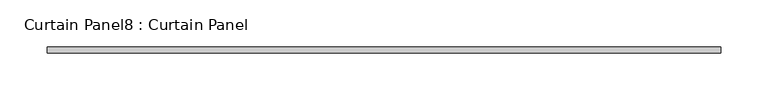
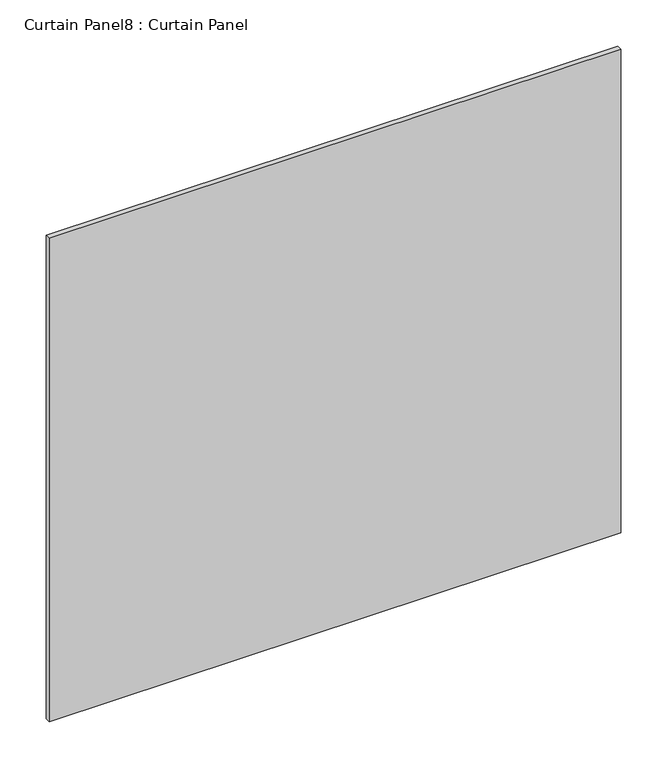
"""IFC4 building model written with IfcOpenShell, lengths in millimetres: plate geometry, Curtain Panel8 : Curtain Panel."""

import ifcopenshell
import ifcopenshell.guid

model = None  # the IFC model being written
_history = None  # IfcOwnerHistory: only IFC2X3 demands one
_inside = {}  # id of a spatial element -> (the spatial element, [elements in it])
_under = {}  # id of a project, library or spatial element -> (it, [spatial elements below it])
_declared = {}  # id of a project -> (the project, [libraries it declares])
_typed = {}  # id of a type object -> (the type object, [elements of that type])
_made_of = {}  # id of a material, layer set ... -> (it, [elements and type objects made of it])


def new_model(schema):
    """Start an empty IFC model of exactly this schema.

    Asked for "IFC4X3", IfcOpenShell would pick the latest addendum, in which some entities
    have other attributes; the version numbers below select the first issue.
    IFC2X3 requires an IfcOwnerHistory on every rooted entity: one is made here for all.
    """
    global model, _history
    if schema == "IFC4X3":
        model = ifcopenshell.file(schema_version=(4, 3, 0, 0))
    else:
        model = ifcopenshell.file(schema=schema)
    _inside.clear()
    _under.clear()
    _declared.clear()
    _typed.clear()
    _made_of.clear()
    _history = None
    if model.schema == "IFC2X3":
        org = make("IfcOrganization", Name="unknown")
        user = make(
            "IfcPersonAndOrganization",
            ThePerson=make("IfcPerson", FamilyName="unknown"),
            TheOrganization=org,
        )
        app = make(
            "IfcApplication",
            ApplicationDeveloper=org,
            Version="unknown",
            ApplicationFullName="unknown",
            ApplicationIdentifier="unknown",
        )
        _history = make(
            "IfcOwnerHistory",
            OwningUser=user,
            OwningApplication=app,
            ChangeAction="ADDED",
            CreationDate=0,
        )
    return model


def make(cls, **values):
    """One entity of the class cls with the attributes given. An attribute that is None is left unset."""
    return model.create_entity(
        cls, **{name: value for name, value in values.items() if value is not None}
    )


def rooted(cls, **values):
    """An entity with a GlobalId (a new one), such as an element, a storey or a relation."""
    return make(cls, GlobalId=ifcopenshell.guid.new(), OwnerHistory=_history, **values)


def si_unit(unit_type, name, prefix=None):
    """IfcSIUnit, for example si_unit("LENGTHUNIT", "METRE", prefix="MILLI")."""
    return make("IfcSIUnit", UnitType=unit_type, Prefix=prefix, Name=name)


def assignment(units):
    """IfcUnitAssignment: the units of a project."""
    return None if units is None else make("IfcUnitAssignment", Units=units)


def point(xyz):
    """IfcCartesianPoint."""
    return None if xyz is None else make("IfcCartesianPoint", Coordinates=xyz)


def direction(xyz):
    """IfcDirection."""
    return None if xyz is None else make("IfcDirection", DirectionRatios=xyz)


def frame(location, z_axis=None, x_axis=None):
    """IfcAxis2Placement3D, a coordinate frame: its origin and axes. An axis left out is left unset."""
    return make(
        "IfcAxis2Placement3D",
        Location=point(location),
        Axis=direction(z_axis),
        RefDirection=direction(x_axis),
    )


def origin():
    """The frame at (0, 0, 0) with its axes left unset."""
    return frame((0.0, 0.0, 0.0))


def place(relative_to, where):
    """IfcLocalPlacement: puts the frame where relative to a parent placement (None: the world)."""
    return make(
        "IfcLocalPlacement", PlacementRelTo=relative_to, RelativePlacement=where
    )


def context(
    kind, dimensions, precision=None, world=None, true_north=None, identifier=None
):
    """IfcGeometricRepresentationContext, for example the 3D "Model" context."""
    return make(
        "IfcGeometricRepresentationContext",
        ContextIdentifier=identifier,
        ContextType=kind,
        CoordinateSpaceDimension=dimensions,
        Precision=precision,
        WorldCoordinateSystem=world,
        TrueNorth=true_north,
    )


def project(units=None, contexts=None):
    """IfcProject with its units and contexts."""
    return rooted(
        "IfcProject",
        Name="project",
        RepresentationContexts=contexts,
        UnitsInContext=assignment(units),
    )


def spatial(cls, under=None, at=None, **own):
    """A site, building, storey or space (cls), placed at a placement, below another one or the project."""
    s = rooted(cls, ObjectPlacement=at, **own)
    if under is not None:
        _under.setdefault(under.id(), (under, []))[1].append(s)
    return s


def polyline(points):
    """IfcPolyline through the points."""
    return make("IfcPolyline", Points=[point(p) for p in points])


def outline(outer, holes=None, kind="AREA"):
    """IfcArbitraryClosedProfileDef: a profile drawn as a closed curve; with holes, ...WithVoids."""
    if holes is None:
        return make("IfcArbitraryClosedProfileDef", ProfileType=kind, OuterCurve=outer)
    return make(
        "IfcArbitraryProfileDefWithVoids",
        ProfileType=kind,
        OuterCurve=outer,
        InnerCurves=holes,
    )


def extrude(swept, where, along, depth):
    """IfcExtrudedAreaSolid: the profile swept, set in the frame where, extruded along a direction by depth."""
    return make(
        "IfcExtrudedAreaSolid",
        SweptArea=swept,
        Position=where,
        ExtrudedDirection=direction(along),
        Depth=depth,
    )


def shape(context_of_items, identifier, shape_type, items):
    """IfcShapeRepresentation: the items that make up one representation, for example the "Body"."""
    return make(
        "IfcShapeRepresentation",
        ContextOfItems=context_of_items,
        RepresentationIdentifier=identifier,
        RepresentationType=shape_type,
        Items=items,
    )


def source(mapping_origin, context_of_items, identifier, shape_type, items):
    """IfcRepresentationMap: a shape defined once, which mapped items show again and again."""
    return make(
        "IfcRepresentationMap",
        MappingOrigin=mapping_origin,
        MappedRepresentation=shape(context_of_items, identifier, shape_type, items),
    )


def transform(
    local_origin,
    x_axis=None,
    y_axis=None,
    z_axis=None,
    scale=None,
    scale2=None,
    scale3=None,
    uniform=True,
):
    """IfcCartesianTransformationOperator3D, or its non-uniform kind. x_axis, y_axis, z_axis: its Axis1, 2, 3."""
    if uniform:
        return make(
            "IfcCartesianTransformationOperator3D",
            Axis1=direction(x_axis),
            Axis2=direction(y_axis),
            LocalOrigin=point(local_origin),
            Scale=scale,
            Axis3=direction(z_axis),
        )
    return make(
        "IfcCartesianTransformationOperator3DnonUniform",
        Axis1=direction(x_axis),
        Axis2=direction(y_axis),
        LocalOrigin=point(local_origin),
        Scale=scale,
        Axis3=direction(z_axis),
        Scale2=scale2,
        Scale3=scale3,
    )


def mapped(mapping_source, mapping_target):
    """IfcMappedItem: shows the shape of a source again, moved by a transform."""
    return make(
        "IfcMappedItem", MappingSource=mapping_source, MappingTarget=mapping_target
    )


def made_of(thing, what):
    """Note that an element or type object is made of a material, layer set ...; save() writes the relation."""
    if what is not None:
        _made_of.setdefault(what.id(), (what, []))[1].append(thing)
    return thing


def element(
    cls,
    number,
    at=None,
    inside=None,
    cuts=None,
    type_object=None,
    material=None,
    context=None,
    identifier="Body",
    shape_type=None,
    held_by="IfcProductDefinitionShape",
    body=None,
    shapes=None,
    **own,
):
    """One element of the class cls, such as IfcWall. Its Tag is "e" and its number.

    at: its placement. inside: the storey or other place that contains it. cuts: it is an
    opening in that element (IfcRelVoidsElement). A single representation is given by context,
    identifier, shape_type and body (its items); several are given by shapes. held_by: the class
    of the entity that holds the representations. save() writes the other relations.
    """
    e = rooted(cls, Tag="e%d" % number, ObjectPlacement=at, **own)
    if body is not None:
        shapes = [shape(context, identifier, shape_type, body)]
    if shapes is not None:
        e.Representation = make(held_by, Representations=shapes)
    if inside is not None:
        _inside.setdefault(inside.id(), (inside, []))[1].append(e)
    if cuts is not None:
        rooted(
            "IfcRelVoidsElement", RelatingBuildingElement=cuts, RelatedOpeningElement=e
        )
    if type_object is not None:
        _typed.setdefault(type_object.id(), (type_object, []))[1].append(e)
    return made_of(e, material)


def aggregate(whole, parts):
    """IfcRelAggregates: a whole, such as a stair, and the parts it consists of."""
    return rooted("IfcRelAggregates", RelatingObject=whole, RelatedObjects=parts)


def save(model, path):
    """Write the relations noted so far, then the file.

    IfcRelAggregates (storeys below a building ...), IfcRelContainedInSpatialStructure (elements
    in a storey), IfcRelDefinesByType, IfcRelAssociatesMaterial and IfcRelDeclares: one each for
    every whole, place, type object, material and project.
    """
    for whole, parts in _under.values():
        aggregate(whole, parts)
    for where, things in _inside.values():
        rooted(
            "IfcRelContainedInSpatialStructure",
            RelatedElements=things,
            RelatingStructure=where,
        )
    for kind, things in _typed.values():
        rooted("IfcRelDefinesByType", RelatedObjects=things, RelatingType=kind)
    for what, things in _made_of.values():
        rooted("IfcRelAssociatesMaterial", RelatedObjects=things, RelatingMaterial=what)
    for by, libraries in _declared.values():
        rooted("IfcRelDeclares", RelatingContext=by, RelatedDefinitions=libraries)
    model.write(path)


def curtain_panel8_curtain_panel_fa3dabb5(model_context):
    return source(origin(), model_context, "Body", "SweptSolid", [
        extrude(outline(polyline([(5437.7398411, 3568.3617926), (4722.2292464, 3568.3617926), (4722.2292464, 3574.7117926), (5437.7398411, 3574.7117926), (5437.7398411, 3568.3617926)])), frame((0.0, 0.0, 1352.1319583), z_axis=(0.0, 0.0, 1.0), x_axis=(1.0, 0.0, 0.0)), (0.0, 0.0, 1.0), 639.9757238),
    ])


if __name__ == "__main__":
    model = new_model("IFC4")
    model_context = context("Model", 3, world=origin())
    ifc_project = project(units=[si_unit("LENGTHUNIT", "METRE", prefix="MILLI")], contexts=[model_context])
    site = spatial("IfcSite", under=ifc_project)
    building = spatial("IfcBuilding", under=site)
    placement = place(None, origin())
    curtain_panel8_curtain_panel_shape = curtain_panel8_curtain_panel_fa3dabb5(model_context)
    element("IfcPlate", 1, ObjectType="Curtain Panel8 : Curtain Panel", at=placement, inside=building, context=model_context, shape_type="MappedRepresentation", body=[
        mapped(curtain_panel8_curtain_panel_shape, transform((0.0, 0.0, 0.0), x_axis=(1.0, 0.0, 0.0), y_axis=(0.0, 1.0, 0.0), z_axis=(0.0, 0.0, 1.0))),
    ])
    save(model, "model.ifc")
